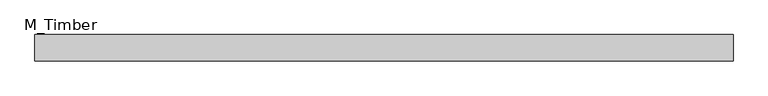
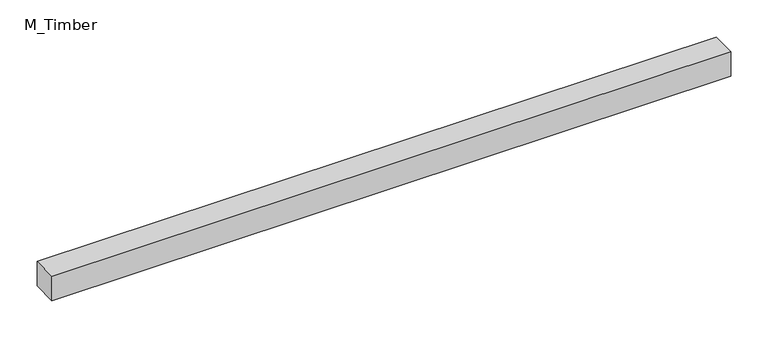
"""IFC4 building model written with IfcOpenShell, lengths in millimetres: beam geometry, M_Timber."""

from ifc_helpers import new_model, si_unit, frame, origin, place, context, project, spatial, polyline, outline, extrude, source, transform, mapped, element, save


def m_timber_1260b3a8(model_context):
    return source(origin(), model_context, "Body", "SweptSolid", [
        extrude(outline(polyline([(528.1422671, 20.0), (528.1422671, -20.0), (-528.1422671, -20.0), (-528.1422671, 20.0), (528.1422671, 20.0)])), frame((0.0, 0.0, -20.0), z_axis=(0.0, 0.0, 1.0), x_axis=(1.0, 0.0, 0.0)), (0.0, 0.0, 1.0), 40.0),
    ])


if __name__ == "__main__":
    model = new_model("IFC4")
    model_context = context("Model", 3, world=origin())
    ifc_project = project(units=[si_unit("LENGTHUNIT", "METRE", prefix="MILLI")], contexts=[model_context])
    site = spatial("IfcSite", under=ifc_project)
    building = spatial("IfcBuilding", under=site)
    placement = place(None, origin())
    m_timber_shape = m_timber_1260b3a8(model_context)
    element("IfcBeam", 1, ObjectType="M_Timber", at=placement, inside=building, context=model_context, shape_type="MappedRepresentation", body=[
        mapped(m_timber_shape, transform((0.0, 0.0, 0.0), x_axis=(1.0, 0.0, 0.0), y_axis=(0.0, 1.0, 0.0), z_axis=(0.0, 0.0, 1.0))),
    ])
    save(model, "model.ifc")
